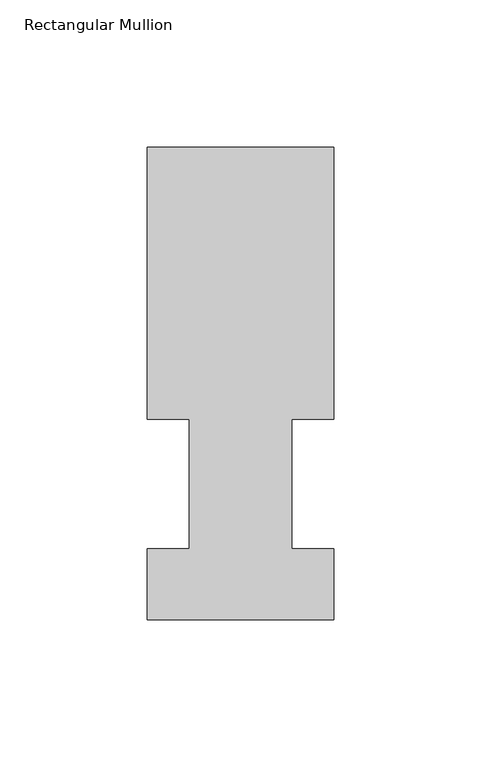
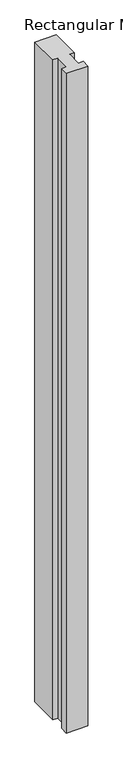
"""IFC4 building model written with IfcOpenShell, lengths in millimetres: member geometry, Rectangular Mullion."""

from ifc_helpers import new_model, si_unit, frame, origin, place, context, project, spatial, polyline, outline, extrude, source, transform, mapped, element, save


def rectangular_mullion_23f78d76(model_context):
    return source(origin(), model_context, "Body", "SweptSolid", [
        extrude(outline(polyline([(31.75, 158.7388875), (31.75, 66.0796875), (17.4625, 66.0796875), (17.4625, 22.1122875), (31.75, 22.1122875), (31.75, -2.0908424), (-31.75, -2.0908424), (-31.75, 22.1122875), (-17.4625, 22.1122875), (-17.4625, 66.0796875), (-31.75, 66.0796875), (-31.75, 158.7388875), (31.75, 158.7388875)])), frame((0.0, 0.0, -2063.75), z_axis=(0.0, 0.0, 1.0), x_axis=(1.0, 0.0, 0.0)), (0.0, 0.0, 1.0), 2063.75),
    ])


if __name__ == "__main__":
    model = new_model("IFC4")
    model_context = context("Model", 3, world=origin())
    ifc_project = project(units=[si_unit("LENGTHUNIT", "METRE", prefix="MILLI")], contexts=[model_context])
    site = spatial("IfcSite", under=ifc_project)
    building = spatial("IfcBuilding", under=site)
    placement = place(None, origin())
    rectangular_mullion_shape = rectangular_mullion_23f78d76(model_context)
    element("IfcMember", 1, ObjectType="Rectangular Mullion", at=placement, inside=building, context=model_context, shape_type="MappedRepresentation", body=[
        mapped(rectangular_mullion_shape, transform((0.0, 0.0, 0.0), x_axis=(1.0, 0.0, 0.0), y_axis=(0.0, 1.0, 0.0), z_axis=(0.0, 0.0, 1.0))),
    ])
    save(model, "model.ifc")
